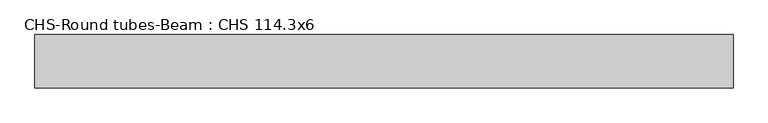
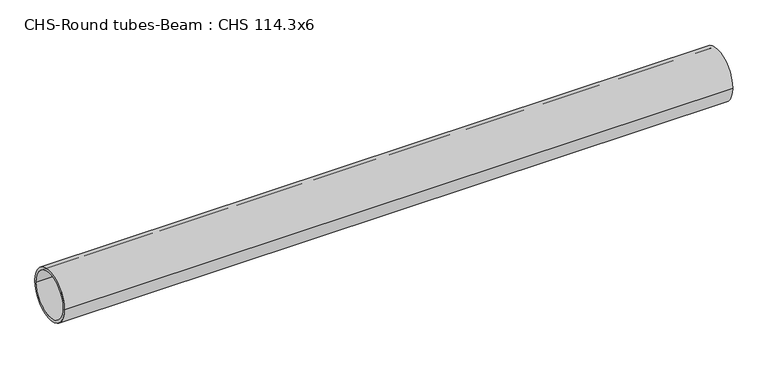
"""IFC4 building model written with IfcOpenShell, lengths in millimetres: beam geometry, CHS-Round tubes-Beam : CHS 114.3x6."""

import ifcopenshell
import ifcopenshell.guid

model = None  # the IFC model being written
_history = None  # IfcOwnerHistory: only IFC2X3 demands one
_inside = {}  # id of a spatial element -> (the spatial element, [elements in it])
_under = {}  # id of a project, library or spatial element -> (it, [spatial elements below it])
_declared = {}  # id of a project -> (the project, [libraries it declares])
_typed = {}  # id of a type object -> (the type object, [elements of that type])
_made_of = {}  # id of a material, layer set ... -> (it, [elements and type objects made of it])


def new_model(schema):
    """Start an empty IFC model of exactly this schema.

    Asked for "IFC4X3", IfcOpenShell would pick the latest addendum, in which some entities
    have other attributes; the version numbers below select the first issue.
    IFC2X3 requires an IfcOwnerHistory on every rooted entity: one is made here for all.
    """
    global model, _history
    if schema == "IFC4X3":
        model = ifcopenshell.file(schema_version=(4, 3, 0, 0))
    else:
        model = ifcopenshell.file(schema=schema)
    _inside.clear()
    _under.clear()
    _declared.clear()
    _typed.clear()
    _made_of.clear()
    _history = None
    if model.schema == "IFC2X3":
        org = make("IfcOrganization", Name="unknown")
        user = make(
            "IfcPersonAndOrganization",
            ThePerson=make("IfcPerson", FamilyName="unknown"),
            TheOrganization=org,
        )
        app = make(
            "IfcApplication",
            ApplicationDeveloper=org,
            Version="unknown",
            ApplicationFullName="unknown",
            ApplicationIdentifier="unknown",
        )
        _history = make(
            "IfcOwnerHistory",
            OwningUser=user,
            OwningApplication=app,
            ChangeAction="ADDED",
            CreationDate=0,
        )
    return model


def make(cls, **values):
    """One entity of the class cls with the attributes given. An attribute that is None is left unset."""
    return model.create_entity(
        cls, **{name: value for name, value in values.items() if value is not None}
    )


def rooted(cls, **values):
    """An entity with a GlobalId (a new one), such as an element, a storey or a relation."""
    return make(cls, GlobalId=ifcopenshell.guid.new(), OwnerHistory=_history, **values)


def si_unit(unit_type, name, prefix=None):
    """IfcSIUnit, for example si_unit("LENGTHUNIT", "METRE", prefix="MILLI")."""
    return make("IfcSIUnit", UnitType=unit_type, Prefix=prefix, Name=name)


def assignment(units):
    """IfcUnitAssignment: the units of a project."""
    return None if units is None else make("IfcUnitAssignment", Units=units)


def point(xyz):
    """IfcCartesianPoint."""
    return None if xyz is None else make("IfcCartesianPoint", Coordinates=xyz)


def direction(xyz):
    """IfcDirection."""
    return None if xyz is None else make("IfcDirection", DirectionRatios=xyz)


def frame(location, z_axis=None, x_axis=None):
    """IfcAxis2Placement3D, a coordinate frame: its origin and axes. An axis left out is left unset."""
    return make(
        "IfcAxis2Placement3D",
        Location=point(location),
        Axis=direction(z_axis),
        RefDirection=direction(x_axis),
    )


def frame_2d(location, x_axis=None):
    """IfcAxis2Placement2D, a coordinate frame in the plane: its origin and x axis."""
    return make(
        "IfcAxis2Placement2D", Location=point(location), RefDirection=direction(x_axis)
    )


def origin():
    """The frame at (0, 0, 0) with its axes left unset."""
    return frame((0.0, 0.0, 0.0))


def origin_2d():
    """The frame at (0, 0) in the plane with its x axis left unset."""
    return frame_2d((0.0, 0.0))


def place(relative_to, where):
    """IfcLocalPlacement: puts the frame where relative to a parent placement (None: the world)."""
    return make(
        "IfcLocalPlacement", PlacementRelTo=relative_to, RelativePlacement=where
    )


def context(
    kind, dimensions, precision=None, world=None, true_north=None, identifier=None
):
    """IfcGeometricRepresentationContext, for example the 3D "Model" context."""
    return make(
        "IfcGeometricRepresentationContext",
        ContextIdentifier=identifier,
        ContextType=kind,
        CoordinateSpaceDimension=dimensions,
        Precision=precision,
        WorldCoordinateSystem=world,
        TrueNorth=true_north,
    )


def project(units=None, contexts=None):
    """IfcProject with its units and contexts."""
    return rooted(
        "IfcProject",
        Name="project",
        RepresentationContexts=contexts,
        UnitsInContext=assignment(units),
    )


def spatial(cls, under=None, at=None, **own):
    """A site, building, storey or space (cls), placed at a placement, below another one or the project."""
    s = rooted(cls, ObjectPlacement=at, **own)
    if under is not None:
        _under.setdefault(under.id(), (under, []))[1].append(s)
    return s


def circle_curve(where, radius):
    """IfcCircle in the frame where."""
    return make("IfcCircle", Position=where, Radius=radius)


def trimmed(basis, trim1, trim2, sense, master):
    """IfcTrimmedCurve: the piece of a basis curve between two trims."""
    return make(
        "IfcTrimmedCurve",
        BasisCurve=basis,
        Trim1=trim1,
        Trim2=trim2,
        SenseAgreement=sense,
        MasterRepresentation=master,
    )


def segment(curve, same_sense, transition):
    """IfcCompositeCurveSegment."""
    return make(
        "IfcCompositeCurveSegment",
        Transition=transition,
        SameSense=same_sense,
        ParentCurve=curve,
    )


def composite_curve(segments, self_intersect=None):
    """IfcCompositeCurve: segments joined end to end."""
    return make("IfcCompositeCurve", Segments=segments, SelfIntersect=self_intersect)


def outline(outer, holes=None, kind="AREA"):
    """IfcArbitraryClosedProfileDef: a profile drawn as a closed curve; with holes, ...WithVoids."""
    if holes is None:
        return make("IfcArbitraryClosedProfileDef", ProfileType=kind, OuterCurve=outer)
    return make(
        "IfcArbitraryProfileDefWithVoids",
        ProfileType=kind,
        OuterCurve=outer,
        InnerCurves=holes,
    )


def extrude(swept, where, along, depth):
    """IfcExtrudedAreaSolid: the profile swept, set in the frame where, extruded along a direction by depth."""
    return make(
        "IfcExtrudedAreaSolid",
        SweptArea=swept,
        Position=where,
        ExtrudedDirection=direction(along),
        Depth=depth,
    )


def shape(context_of_items, identifier, shape_type, items):
    """IfcShapeRepresentation: the items that make up one representation, for example the "Body"."""
    return make(
        "IfcShapeRepresentation",
        ContextOfItems=context_of_items,
        RepresentationIdentifier=identifier,
        RepresentationType=shape_type,
        Items=items,
    )


def source(mapping_origin, context_of_items, identifier, shape_type, items):
    """IfcRepresentationMap: a shape defined once, which mapped items show again and again."""
    return make(
        "IfcRepresentationMap",
        MappingOrigin=mapping_origin,
        MappedRepresentation=shape(context_of_items, identifier, shape_type, items),
    )


def transform(
    local_origin,
    x_axis=None,
    y_axis=None,
    z_axis=None,
    scale=None,
    scale2=None,
    scale3=None,
    uniform=True,
):
    """IfcCartesianTransformationOperator3D, or its non-uniform kind. x_axis, y_axis, z_axis: its Axis1, 2, 3."""
    if uniform:
        return make(
            "IfcCartesianTransformationOperator3D",
            Axis1=direction(x_axis),
            Axis2=direction(y_axis),
            LocalOrigin=point(local_origin),
            Scale=scale,
            Axis3=direction(z_axis),
        )
    return make(
        "IfcCartesianTransformationOperator3DnonUniform",
        Axis1=direction(x_axis),
        Axis2=direction(y_axis),
        LocalOrigin=point(local_origin),
        Scale=scale,
        Axis3=direction(z_axis),
        Scale2=scale2,
        Scale3=scale3,
    )


def mapped(mapping_source, mapping_target):
    """IfcMappedItem: shows the shape of a source again, moved by a transform."""
    return make(
        "IfcMappedItem", MappingSource=mapping_source, MappingTarget=mapping_target
    )


def made_of(thing, what):
    """Note that an element or type object is made of a material, layer set ...; save() writes the relation."""
    if what is not None:
        _made_of.setdefault(what.id(), (what, []))[1].append(thing)
    return thing


def element(
    cls,
    number,
    at=None,
    inside=None,
    cuts=None,
    type_object=None,
    material=None,
    context=None,
    identifier="Body",
    shape_type=None,
    held_by="IfcProductDefinitionShape",
    body=None,
    shapes=None,
    **own,
):
    """One element of the class cls, such as IfcWall. Its Tag is "e" and its number.

    at: its placement. inside: the storey or other place that contains it. cuts: it is an
    opening in that element (IfcRelVoidsElement). A single representation is given by context,
    identifier, shape_type and body (its items); several are given by shapes. held_by: the class
    of the entity that holds the representations. save() writes the other relations.
    """
    e = rooted(cls, Tag="e%d" % number, ObjectPlacement=at, **own)
    if body is not None:
        shapes = [shape(context, identifier, shape_type, body)]
    if shapes is not None:
        e.Representation = make(held_by, Representations=shapes)
    if inside is not None:
        _inside.setdefault(inside.id(), (inside, []))[1].append(e)
    if cuts is not None:
        rooted(
            "IfcRelVoidsElement", RelatingBuildingElement=cuts, RelatedOpeningElement=e
        )
    if type_object is not None:
        _typed.setdefault(type_object.id(), (type_object, []))[1].append(e)
    return made_of(e, material)


def aggregate(whole, parts):
    """IfcRelAggregates: a whole, such as a stair, and the parts it consists of."""
    return rooted("IfcRelAggregates", RelatingObject=whole, RelatedObjects=parts)


def save(model, path):
    """Write the relations noted so far, then the file.

    IfcRelAggregates (storeys below a building ...), IfcRelContainedInSpatialStructure (elements
    in a storey), IfcRelDefinesByType, IfcRelAssociatesMaterial and IfcRelDeclares: one each for
    every whole, place, type object, material and project.
    """
    for whole, parts in _under.values():
        aggregate(whole, parts)
    for where, things in _inside.values():
        rooted(
            "IfcRelContainedInSpatialStructure",
            RelatedElements=things,
            RelatingStructure=where,
        )
    for kind, things in _typed.values():
        rooted("IfcRelDefinesByType", RelatedObjects=things, RelatingType=kind)
    for what, things in _made_of.values():
        rooted("IfcRelAssociatesMaterial", RelatedObjects=things, RelatingMaterial=what)
    for by, libraries in _declared.values():
        rooted("IfcRelDeclares", RelatingContext=by, RelatedDefinitions=libraries)
    model.write(path)


def chs_round_tubes_beam_chs_114_3x6_46b0a5b1(model_context):
    return source(origin(), model_context, "Body", "SweptSolid", [
        extrude(outline(composite_curve([segment(trimmed(circle_curve(origin_2d(), 57.15), [point((57.15, 0.0))], [point((-57.15, 0.0))], False, "CARTESIAN"), True, "CONTINUOUS"), segment(trimmed(circle_curve(origin_2d(), 57.15), [point((-57.15, 0.0))], [point((57.15, 0.0))], False, "CARTESIAN"), True, "CONTINUOUS")], self_intersect=False), holes=[composite_curve([segment(trimmed(circle_curve(origin_2d(), 51.15), [point((51.15, 0.0))], [point((-51.15, 0.0))], True, "CARTESIAN"), True, "CONTINUOUS"), segment(trimmed(circle_curve(origin_2d(), 51.15), [point((-51.15, 0.0))], [point((51.15, 0.0))], True, "CARTESIAN"), True, "CONTINUOUS")], self_intersect=False)]), frame((-747.211146, 0.0, 0.0), z_axis=(1.0, 0.0, 0.0), x_axis=(0.0, 1.0, 0.0)), (0.0, 0.0, 1.0), 1498.2129273),
    ])


if __name__ == "__main__":
    model = new_model("IFC4")
    model_context = context("Model", 3, world=origin())
    ifc_project = project(units=[si_unit("LENGTHUNIT", "METRE", prefix="MILLI")], contexts=[model_context])
    site = spatial("IfcSite", under=ifc_project)
    building = spatial("IfcBuilding", under=site)
    placement = place(None, origin())
    chs_round_tubes_beam_chs_114_3x6_shape = chs_round_tubes_beam_chs_114_3x6_46b0a5b1(model_context)
    element("IfcBeam", 1, ObjectType="CHS-Round tubes-Beam : CHS 114.3x6", at=placement, inside=building, context=model_context, shape_type="MappedRepresentation", body=[
        mapped(chs_round_tubes_beam_chs_114_3x6_shape, transform((0.0, 0.0, 0.0), x_axis=(1.0, 0.0, 0.0), y_axis=(0.0, 1.0, 0.0), z_axis=(0.0, 0.0, 1.0))),
    ])
    save(model, "model.ifc")
